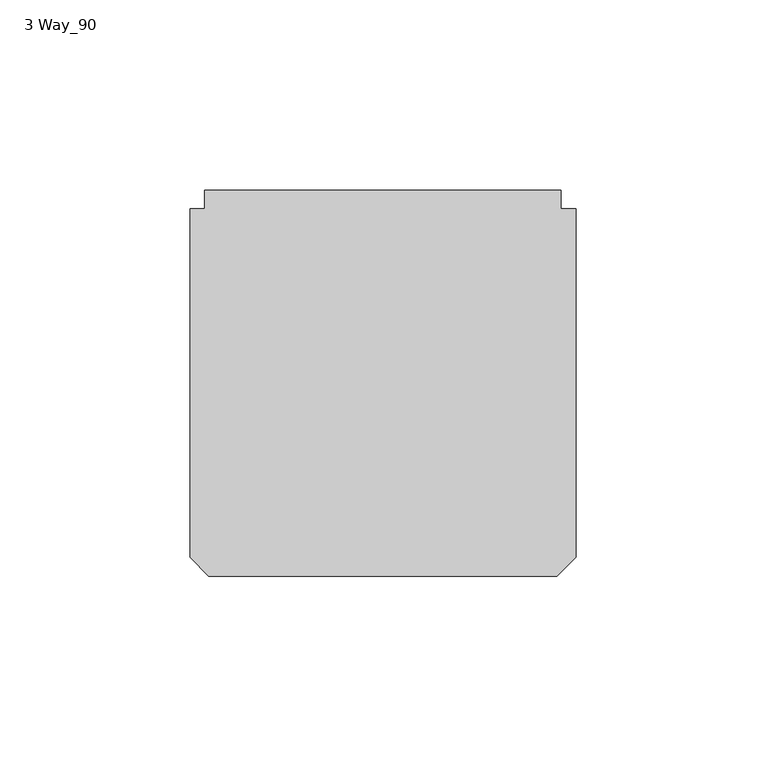
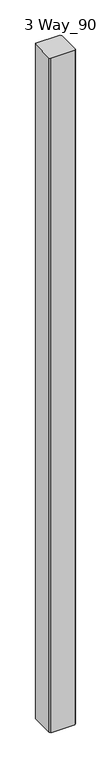
"""IFC4 building model written with IfcOpenShell, lengths in millimetres: furniture geometry, 3 Way_90."""

from ifc_helpers import new_model, si_unit, origin, origin_with_axes, place, context, project, spatial, polyline, outline, extrude, source, transform, mapped, element, save


def furniture_3_way_90_a414f995(model_context):
    return source(origin(), model_context, "Body", "SweptSolid", [
        extrude(outline(polyline([(29.9771531, -69.4489705), (29.9771531, 22.2450295), (33.9141531, 22.2450295), (33.9141531, 27.1980295), (127.6401531, 27.1980295), (127.6401531, 22.2450295), (131.5771531, 22.2450295), (131.5771531, -69.4489705), (126.6241531, -74.4019705), (34.9301531, -74.4019705), (29.9771531, -69.4489705)])), origin_with_axes(), (0.0, 0.0, 1.0), 2743.2),
    ])


if __name__ == "__main__":
    model = new_model("IFC4")
    model_context = context("Model", 3, world=origin())
    ifc_project = project(units=[si_unit("LENGTHUNIT", "METRE", prefix="MILLI")], contexts=[model_context])
    site = spatial("IfcSite", under=ifc_project)
    building = spatial("IfcBuilding", under=site)
    placement = place(None, origin())
    furniture_3_way_90_shape = furniture_3_way_90_a414f995(model_context)
    element("IfcFurniture", 1, ObjectType="3 Way_90", at=placement, inside=building, context=model_context, shape_type="MappedRepresentation", body=[
        mapped(furniture_3_way_90_shape, transform((0.0, 0.0, 0.0), x_axis=(1.0, 0.0, 0.0), y_axis=(0.0, 1.0, 0.0), z_axis=(0.0, 0.0, 1.0))),
    ])
    save(model, "model.ifc")
